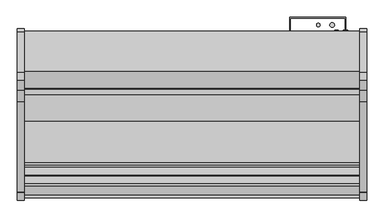
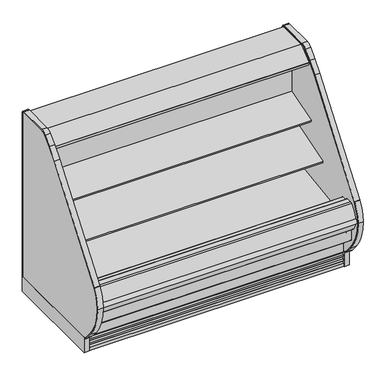
"""IFC4 building model written with IfcOpenShell, lengths in millimetres: proxy geometry."""

from ifc_helpers import new_model, si_unit, point, frame, frame_2d, origin, origin_with_axes, place, context, project, spatial, polyline, circle_curve, trimmed, segment, composite_curve, outline, extrude, source, transform, mapped, element, save
from ifc_brep_helpers import plane_surface, cylinder_surface, revolved_surface, advanced_brep


def mechanical_equipment_5bfa378a(model_context):
    return source(origin(), model_context, "Body", "SolidModel", [
        extrude(outline(composite_curve([segment(polyline([(-514.5184043, 1280.7980838), (-504.8108903, 1283.7963787), (-504.5441858, 1282.9328752), (-503.4770145, 1282.9328752), (-503.4770145, 1189.1685435), (-528.7722287, 1185.6157473)]), True, "CONTINUOUS"), segment(trimmed(circle_curve(frame_2d((-528.9121117, 1187.1894225)), 1.57988), [point((-528.7722287, 1185.6157473))], [point((-530.4766164, 1186.9695457))], False, "CARTESIAN"), True, "CONTINUOUS"), segment(polyline([(-530.4766164, 1186.9695457), (-531.3614261, 1193.2652938), (-530.5766584, 1193.3755857), (-529.5822638, 1186.3001005), (-506.0015054, 1189.61416), (-520.0975442, 1289.912687), (-542.8581255, 1286.8903314)]), True, "CONTINUOUS"), segment(trimmed(circle_curve(frame_2d((-542.7544773, 1286.109783)), 0.7874), [point((-542.8581255, 1286.8903314))], [point((-543.5350257, 1286.0061347))], True, "CARTESIAN"), True, "CONTINUOUS"), segment(polyline([(-543.5350257, 1286.0061347), (-542.5119167, 1278.3013646), (-543.2924653, 1278.1977184), (-544.3155741, 1285.9024865)]), True, "CONTINUOUS"), segment(trimmed(circle_curve(frame_2d((-542.7544773, 1286.109783)), 1.5748), [point((-544.3155741, 1285.9024865))], [point((-542.9617738, 1287.6708798))], False, "CARTESIAN"), True, "CONTINUOUS"), segment(polyline([(-542.9617738, 1287.6708798), (-518.9973626, 1290.8530909)]), True, "CONTINUOUS"), segment(trimmed(circle_curve(frame_2d((-518.7900661, 1289.2919941)), 1.5748), [point((-518.9973626, 1290.8530909))], [point((-517.2854014, 1289.7567298))], False, "CARTESIAN"), True, "CONTINUOUS"), segment(polyline([(-517.2854014, 1289.7567298), (-514.5184043, 1280.7980838)]), True, "CONTINUOUS")], self_intersect=False)), frame((0.0, 0.0, 0.0), z_axis=(1.0, 0.0, 0.0), x_axis=(0.0, 1.0, 0.0)), (0.0, 0.0, 1.0), 1828.8),
        extrude(outline(polyline([(-401.5089273, 1362.075), (-401.5089273, 1315.6470648), (-452.3089273, 1315.6470648), (-452.3089273, 1282.9328752), (-504.5441858, 1282.9328752), (-506.6234348, 1289.6648143), (-511.417881, 1288.1839857), (-535.4879211, 1316.8695425), (-642.2562389, 1316.8695425), (-643.0944389, 1316.0313425), (-643.0944389, 1304.9061425), (-643.6525285, 1303.7273324), (-688.2903714, 1267.1513324), (-689.2562818, 1266.8061425), (-700.752905, 1266.8061425), (-700.752905, 1264.8743669), (-715.8669232, 1264.8743669), (-715.8669232, 1283.1433169), (-715.2737617, 1284.3869059), (-619.3369552, 1362.075), (-401.5089273, 1362.075)])), frame((0.0, 0.0, 0.0), z_axis=(1.0, 0.0, 0.0), x_axis=(0.0, 1.0, 0.0)), (0.0, 0.0, 1.0), 1828.8),
        extrude(outline(composite_curve([segment(polyline([(-506.0015054, 1189.61416), (-529.5822638, 1186.3001005), (-530.5766584, 1193.3755857), (-542.5070926, 1278.2650359), (-543.5350257, 1286.0061347)]), True, "CONTINUOUS"), segment(trimmed(circle_curve(frame_2d((-542.7544773, 1286.109783)), 0.7874), [point((-543.5350257, 1286.0061347))], [point((-542.8581255, 1286.8903314))], False, "CARTESIAN"), True, "CONTINUOUS"), segment(polyline([(-542.8581255, 1286.8903314), (-520.0975442, 1289.912687), (-506.0015054, 1189.61416)]), True, "CONTINUOUS")], self_intersect=False)), frame((0.0, 0.0, 0.0), z_axis=(1.0, 0.0, 0.0), x_axis=(0.0, 1.0, 0.0)), (0.0, 0.0, 1.0), 1828.8),
        extrude(outline(composite_curve([segment(trimmed(circle_curve(frame_2d((-586.8315353, 1290.8268376)), 14.2875), [point((-601.1190353, 1290.8268376))], [point((-572.5440353, 1290.8268376))], False, "CARTESIAN"), True, "CONTINUOUS"), segment(trimmed(circle_curve(frame_2d((-586.8315353, 1290.8268376)), 14.2875), [point((-572.5440353, 1290.8268376))], [point((-601.1190353, 1290.8268376))], False, "CARTESIAN"), True, "CONTINUOUS")], self_intersect=False)), frame((0.0, 0.0, 0.0), z_axis=(1.0, 0.0, 0.0), x_axis=(0.0, 1.0, 0.0)), (0.0, 0.0, 1.0), 1828.8),
        extrude(outline(composite_curve([segment(trimmed(circle_curve(frame_2d((-624.2203353, 1290.8268376)), 14.2875), [point((-638.5078353, 1290.8268376))], [point((-609.9328353, 1290.8268376))], False, "CARTESIAN"), True, "CONTINUOUS"), segment(trimmed(circle_curve(frame_2d((-624.2203353, 1290.8268376)), 14.2875), [point((-609.9328353, 1290.8268376))], [point((-638.5078353, 1290.8268376))], False, "CARTESIAN"), True, "CONTINUOUS")], self_intersect=False)), frame((0.0, 0.0, 0.0), z_axis=(1.0, 0.0, 0.0), x_axis=(0.0, 1.0, 0.0)), (0.0, 0.0, 1.0), 1828.8),
        extrude(outline(composite_curve([segment(polyline([(-1152.4160029, 116.4176483), (-1152.4160029, 109.8489673)]), True, "CONTINUOUS"), segment(trimmed(circle_curve(frame_2d((-1137.0029315, 171.45)), 63.5), [point((-1152.4160029, 109.8489673))], [point((-1185.6467537, 130.6329868))], False, "CARTESIAN"), True, "CONTINUOUS"), segment(polyline([(-1185.6467537, 130.6329868), (-1235.6359944, 190.2078441)]), True, "CONTINUOUS"), segment(trimmed(circle_curve(frame_2d((-941.4801647, 437.0338923)), 383.9931644), [point((-1235.6359944, 190.2078441))], [point((-1325.4388699, 431.8896718))], False, "CARTESIAN"), True, "CONTINUOUS"), segment(trimmed(circle_curve(frame_2d((-1076.0701893, 427.3006938)), 249.410901), [point((-1325.4388699, 431.8896718))], [point((-1281.6253076, 568.555396))], False, "CARTESIAN"), True, "CONTINUOUS"), segment(trimmed(circle_curve(frame_2d((-1267.5211401, 561.2160445)), 15.8994849), [point((-1281.6253076, 568.555396))], [point((-1280.2425143, 570.7533533))], False, "CARTESIAN"), True, "CONTINUOUS"), segment(polyline([(-1280.2425143, 570.7533533), (-784.9351025, 1231.4209529)]), True, "CONTINUOUS"), segment(trimmed(circle_curve(frame_2d((-245.5130426, 827.0122237)), 674.1828973), [point((-784.9351025, 1231.4209529))], [point((-722.232341, 1303.7315221))], False, "CARTESIAN"), True, "CONTINUOUS"), segment(polyline([(-722.232341, 1303.7315221), (-669.2351533, 1356.7287098)]), True, "CONTINUOUS"), segment(trimmed(circle_curve(frame_2d((-625.6675547, 1313.1611112)), 61.6138888), [point((-669.2351533, 1356.7287098))], [point((-625.6675547, 1374.775))], False, "CARTESIAN"), True, "CONTINUOUS"), segment(polyline([(-625.6675547, 1374.775), (-403.2506698, 1374.775)]), True, "CONTINUOUS"), segment(trimmed(circle_curve(frame_2d((-403.2506698, 1357.1582575)), 17.6167425), [point((-403.2506698, 1374.775))], [point((-385.6339273, 1357.1582575))], False, "CARTESIAN"), True, "CONTINUOUS"), segment(polyline([(-385.6339273, 1357.1582575), (-385.6339273, 114.3), (-391.9839273, 114.3), (-391.9839273, 1357.1582575)]), True, "CONTINUOUS"), segment(trimmed(circle_curve(frame_2d((-403.2506698, 1357.1582575)), 11.2667425), [point((-391.9839273, 1357.1582575))], [point((-403.2506698, 1368.425))], True, "CARTESIAN"), True, "CONTINUOUS"), segment(polyline([(-403.2506698, 1368.425), (-625.6675547, 1368.425)]), True, "CONTINUOUS"), segment(trimmed(circle_curve(frame_2d((-625.6675547, 1313.1611112)), 55.2638888), [point((-625.6675547, 1368.425))], [point((-664.7450253, 1352.2385817))], True, "CARTESIAN"), True, "CONTINUOUS"), segment(polyline([(-664.7450253, 1352.2385817), (-717.7422129, 1299.2413941)]), True, "CONTINUOUS"), segment(trimmed(circle_curve(frame_2d((-245.5130426, 827.0122237)), 667.8328973), [point((-717.7422129, 1299.2413941))], [point((-779.8543891, 1227.6119043))], True, "CARTESIAN"), True, "CONTINUOUS"), segment(polyline([(-779.8543891, 1227.6119043), (-1275.1618009, 566.9443047)]), True, "CONTINUOUS"), segment(trimmed(circle_curve(frame_2d((-1267.5211401, 561.2160445)), 9.5494849), [point((-1275.1618009, 566.9443047))], [point((-1276.1447735, 565.3179477))], True, "CARTESIAN"), True, "CONTINUOUS"), segment(trimmed(circle_curve(frame_2d((-1076.0701893, 427.3006938)), 243.060901), [point((-1276.1447735, 565.3179477))], [point((-1319.0880705, 431.8735543))], True, "CARTESIAN"), True, "CONTINUOUS"), segment(trimmed(circle_curve(frame_2d((-941.4801647, 437.0338923)), 377.6431644), [point((-1319.0880705, 431.8735543))], [point((-1230.7716122, 194.2895454))], True, "CARTESIAN"), True, "CONTINUOUS"), segment(polyline([(-1230.7716122, 194.2895454), (-1180.7823715, 134.7146881)]), True, "CONTINUOUS"), segment(trimmed(circle_curve(frame_2d((-1137.0029315, 171.45)), 57.15), [point((-1180.7823715, 134.7146881))], [point((-1152.4160029, 116.4176483))], True, "CARTESIAN"), True, "CONTINUOUS")], self_intersect=False)), frame((1828.8, 0.0, 0.0), z_axis=(1.0, 0.0, 0.0), x_axis=(0.0, 1.0, 0.0)), (0.0, 0.0, 1.0), 38.1),
        extrude(outline(composite_curve([segment(trimmed(circle_curve(frame_2d((-1137.0029315, 171.45)), 57.15), [point((-1152.4160029, 116.4176483))], [point((-1180.7823715, 134.7146881))], False, "CARTESIAN"), True, "CONTINUOUS"), segment(polyline([(-1180.7823715, 134.7146881), (-1230.7716122, 194.2895454)]), True, "CONTINUOUS"), segment(trimmed(circle_curve(frame_2d((-941.4801647, 437.0338923)), 377.6431644), [point((-1230.7716122, 194.2895454))], [point((-1319.0880705, 431.8735543))], False, "CARTESIAN"), True, "CONTINUOUS"), segment(trimmed(circle_curve(frame_2d((-1076.0701893, 427.3006938)), 243.060901), [point((-1319.0880705, 431.8735543))], [point((-1270.5462172, 573.1008179))], False, "CARTESIAN"), True, "CONTINUOUS"), segment(polyline([(-1270.5462172, 573.1008179), (-779.8543891, 1227.6119043)]), True, "CONTINUOUS"), segment(trimmed(circle_curve(frame_2d((-245.5130426, 827.0122237)), 667.8328973), [point((-779.8543891, 1227.6119043))], [point((-717.7422129, 1299.2413941))], False, "CARTESIAN"), True, "CONTINUOUS"), segment(polyline([(-717.7422129, 1299.2413941), (-664.7450253, 1352.2385817)]), True, "CONTINUOUS"), segment(trimmed(circle_curve(frame_2d((-625.6675547, 1313.1611112)), 55.2638888), [point((-664.7450253, 1352.2385817))], [point((-625.6675547, 1368.425))], False, "CARTESIAN"), True, "CONTINUOUS"), segment(polyline([(-625.6675547, 1368.425), (-403.2506698, 1368.425)]), True, "CONTINUOUS"), segment(trimmed(circle_curve(frame_2d((-403.2506698, 1357.1582575)), 11.2667425), [point((-403.2506698, 1368.425))], [point((-391.9839273, 1357.1582575))], False, "CARTESIAN"), True, "CONTINUOUS"), segment(polyline([(-391.9839273, 1357.1582575), (-391.9839273, 114.3), (-1152.4160029, 114.3), (-1152.4160029, 116.4176483)]), True, "CONTINUOUS")], self_intersect=False)), frame((1828.8, 0.0, 0.0), z_axis=(1.0, 0.0, 0.0), x_axis=(0.0, 1.0, 0.0)), (0.0, 0.0, 1.0), 38.1),
        extrude(outline(polyline([(1866.9, -385.6339273), (1866.9, -1152.4160029), (1828.8, -1152.4160029), (1828.8, -385.6339273), (1866.9, -385.6339273)])), origin_with_axes(), (0.0, 0.0, 1.0), 114.3),
        extrude(outline(composite_curve([segment(trimmed(circle_curve(frame_2d((-1295.6519401, 432.0003811)), 17.0866011), [point((-1296.4879309, 414.9342433))], [point((-1296.7411816, 449.0522282))], False, "CARTESIAN"), True, "CONTINUOUS"), segment(trimmed(circle_curve(frame_2d((-1124.8312387, 403.6702581)), 177.7991891), [point((-1296.7411816, 449.0522282))], [point((-1298.0862131, 443.6110334))], True, "CARTESIAN"), True, "CONTINUOUS"), segment(trimmed(circle_curve(frame_2d((-1171.2742697, 436.2958797)), 127.0227557), [point((-1298.0862131, 443.6110334))], [point((-1296.4879309, 414.9342433))], True, "CARTESIAN"), True, "CONTINUOUS")], self_intersect=False)), frame((0.0, 0.0, 0.0), z_axis=(1.0, 0.0, 0.0), x_axis=(0.0, 1.0, 0.0)), (0.0, 0.0, 1.0), 1828.8),
        extrude(outline(composite_curve([segment(trimmed(circle_curve(frame_2d((1669.0362287, -1007.9339273)), 12.7), [point((1656.3362287, -1007.9339273))], [point((1681.7362287, -1007.9339273))], False, "CARTESIAN"), True, "CONTINUOUS"), segment(trimmed(circle_curve(frame_2d((1669.0362287, -1007.9339273)), 12.7), [point((1681.7362287, -1007.9339273))], [point((1656.3362287, -1007.9339273))], False, "CARTESIAN"), True, "CONTINUOUS")], self_intersect=False)), frame((0.0, 0.0, 68.5310382), z_axis=(0.0, 0.0, 1.0), x_axis=(1.0, 0.0, 0.0)), (0.0, 0.0, 1.0), 52.7807458),
        extrude(outline(composite_curve([segment(trimmed(circle_curve(frame_2d((1618.83831, -1007.9339273)), 9.525), [point((1609.31331, -1007.9339273))], [point((1628.36331, -1007.9339273))], False, "CARTESIAN"), True, "CONTINUOUS"), segment(trimmed(circle_curve(frame_2d((1618.83831, -1007.9339273)), 9.525), [point((1628.36331, -1007.9339273))], [point((1609.31331, -1007.9339273))], False, "CARTESIAN"), True, "CONTINUOUS")], self_intersect=False)), frame((0.0, 0.0, 68.5310382), z_axis=(0.0, 0.0, 1.0), x_axis=(1.0, 0.0, 0.0)), (0.0, 0.0, 1.0), 52.7807458),
        extrude(outline(polyline([(0.0, -385.6339273), (0.0, -1152.4160029), (-38.1, -1152.4160029), (-38.1, -385.6339273), (0.0, -385.6339273)])), origin_with_axes(), (0.0, 0.0, 1.0), 114.3),
        extrude(outline(composite_curve([segment(polyline([(-1152.4160029, 116.4176483), (-1152.4160029, 109.8489673)]), True, "CONTINUOUS"), segment(trimmed(circle_curve(frame_2d((-1137.0029315, 171.45)), 63.5), [point((-1152.4160029, 109.8489673))], [point((-1185.6467537, 130.6329868))], False, "CARTESIAN"), True, "CONTINUOUS"), segment(polyline([(-1185.6467537, 130.6329868), (-1235.6359944, 190.2078441)]), True, "CONTINUOUS"), segment(trimmed(circle_curve(frame_2d((-941.4801647, 437.0338923)), 383.9931644), [point((-1235.6359944, 190.2078441))], [point((-1325.4388699, 431.8896718))], False, "CARTESIAN"), True, "CONTINUOUS"), segment(trimmed(circle_curve(frame_2d((-1076.0701893, 427.3006938)), 249.410901), [point((-1325.4388699, 431.8896718))], [point((-1281.6253076, 568.555396))], False, "CARTESIAN"), True, "CONTINUOUS"), segment(trimmed(circle_curve(frame_2d((-1267.5211401, 561.2160445)), 15.8994849), [point((-1281.6253076, 568.555396))], [point((-1280.2425143, 570.7533533))], False, "CARTESIAN"), True, "CONTINUOUS"), segment(polyline([(-1280.2425143, 570.7533533), (-784.9351025, 1231.4209529)]), True, "CONTINUOUS"), segment(trimmed(circle_curve(frame_2d((-245.5130426, 827.0122237)), 674.1828973), [point((-784.9351025, 1231.4209529))], [point((-722.232341, 1303.7315221))], False, "CARTESIAN"), True, "CONTINUOUS"), segment(polyline([(-722.232341, 1303.7315221), (-669.2351533, 1356.7287098)]), True, "CONTINUOUS"), segment(trimmed(circle_curve(frame_2d((-625.6675547, 1313.1611112)), 61.6138888), [point((-669.2351533, 1356.7287098))], [point((-625.6675547, 1374.775))], False, "CARTESIAN"), True, "CONTINUOUS"), segment(polyline([(-625.6675547, 1374.775), (-403.2506698, 1374.775)]), True, "CONTINUOUS"), segment(trimmed(circle_curve(frame_2d((-403.2506698, 1357.1582575)), 17.6167425), [point((-403.2506698, 1374.775))], [point((-385.6339273, 1357.1582575))], False, "CARTESIAN"), True, "CONTINUOUS"), segment(polyline([(-385.6339273, 1357.1582575), (-385.6339273, 114.3), (-391.9839273, 114.3), (-391.9839273, 1357.1582575)]), True, "CONTINUOUS"), segment(trimmed(circle_curve(frame_2d((-403.2506698, 1357.1582575)), 11.2667425), [point((-391.9839273, 1357.1582575))], [point((-403.2506698, 1368.425))], True, "CARTESIAN"), True, "CONTINUOUS"), segment(polyline([(-403.2506698, 1368.425), (-625.6675547, 1368.425)]), True, "CONTINUOUS"), segment(trimmed(circle_curve(frame_2d((-625.6675547, 1313.1611112)), 55.2638888), [point((-625.6675547, 1368.425))], [point((-664.7450253, 1352.2385817))], True, "CARTESIAN"), True, "CONTINUOUS"), segment(polyline([(-664.7450253, 1352.2385817), (-717.7422129, 1299.2413941)]), True, "CONTINUOUS"), segment(trimmed(circle_curve(frame_2d((-245.5130426, 827.0122237)), 667.8328973), [point((-717.7422129, 1299.2413941))], [point((-779.8543891, 1227.6119043))], True, "CARTESIAN"), True, "CONTINUOUS"), segment(polyline([(-779.8543891, 1227.6119043), (-1270.5462172, 573.1008179)]), True, "CONTINUOUS"), segment(trimmed(circle_curve(frame_2d((-1076.0701893, 427.3006938)), 243.060901), [point((-1270.5462172, 573.1008179))], [point((-1319.0880705, 431.8735543))], True, "CARTESIAN"), True, "CONTINUOUS"), segment(trimmed(circle_curve(frame_2d((-941.4801647, 437.0338923)), 377.6431644), [point((-1319.0880705, 431.8735543))], [point((-1230.7716122, 194.2895454))], True, "CARTESIAN"), True, "CONTINUOUS"), segment(polyline([(-1230.7716122, 194.2895454), (-1180.7823715, 134.7146881)]), True, "CONTINUOUS"), segment(trimmed(circle_curve(frame_2d((-1137.0029315, 171.45)), 57.15), [point((-1180.7823715, 134.7146881))], [point((-1152.4160029, 116.4176483))], True, "CARTESIAN"), True, "CONTINUOUS")], self_intersect=False)), frame((-38.1, 0.0, 0.0), z_axis=(1.0, 0.0, 0.0), x_axis=(0.0, 1.0, 0.0)), (0.0, 0.0, 1.0), 38.1),
        extrude(outline(composite_curve([segment(trimmed(circle_curve(frame_2d((-1137.0029315, 171.45)), 57.15), [point((-1152.4160029, 116.4176483))], [point((-1180.7823715, 134.7146881))], False, "CARTESIAN"), True, "CONTINUOUS"), segment(polyline([(-1180.7823715, 134.7146881), (-1230.7716122, 194.2895454)]), True, "CONTINUOUS"), segment(trimmed(circle_curve(frame_2d((-941.4801647, 437.0338923)), 377.6431644), [point((-1230.7716122, 194.2895454))], [point((-1319.0880705, 431.8735543))], False, "CARTESIAN"), True, "CONTINUOUS"), segment(trimmed(circle_curve(frame_2d((-1076.0701893, 427.3006938)), 243.060901), [point((-1319.0880705, 431.8735543))], [point((-1270.5462172, 573.1008179))], False, "CARTESIAN"), True, "CONTINUOUS"), segment(polyline([(-1270.5462172, 573.1008179), (-779.8543891, 1227.6119043)]), True, "CONTINUOUS"), segment(trimmed(circle_curve(frame_2d((-245.5130426, 827.0122237)), 667.8328973), [point((-779.8543891, 1227.6119043))], [point((-717.7422129, 1299.2413941))], False, "CARTESIAN"), True, "CONTINUOUS"), segment(polyline([(-717.7422129, 1299.2413941), (-664.7450253, 1352.2385817)]), True, "CONTINUOUS"), segment(trimmed(circle_curve(frame_2d((-625.6675547, 1313.1611112)), 55.2638888), [point((-664.7450253, 1352.2385817))], [point((-625.6675547, 1368.425))], False, "CARTESIAN"), True, "CONTINUOUS"), segment(polyline([(-625.6675547, 1368.425), (-403.2506698, 1368.425)]), True, "CONTINUOUS"), segment(trimmed(circle_curve(frame_2d((-403.2506698, 1357.1582575)), 11.2667425), [point((-403.2506698, 1368.425))], [point((-391.9839273, 1357.1582575))], False, "CARTESIAN"), True, "CONTINUOUS"), segment(polyline([(-391.9839273, 1357.1582575), (-391.9839273, 114.3), (-1152.4160029, 114.3), (-1152.4160029, 116.4176483)]), True, "CONTINUOUS")], self_intersect=False)), frame((-38.1, 0.0, 0.0), z_axis=(1.0, 0.0, 0.0), x_axis=(0.0, 1.0, 0.0)), (0.0, 0.0, 1.0), 38.1),
        extrude(outline(polyline([(1749.425, -401.5089273), (1749.425, -328.4839273), (1450.975, -328.4839273), (1450.975, -401.5089273), (1447.8, -401.5089273), (1447.8, -325.3089273), (1752.6, -325.3089273), (1752.6, -401.5089273), (1749.425, -401.5089273)])), frame((0.0, 0.0, 522.6122796), z_axis=(0.0, 0.0, 1.0), x_axis=(1.0, 0.0, 0.0)), (0.0, 0.0, 1.0), 710.3489092),
        advanced_brep(
        [(0.0, -401.5089273, 1315.6470648), (0.0, -401.5089273, 130.175), (0.0, -1092.9329421, 130.175), (0.0, -1242.6779256, 255.8259604), (0.0, -1242.6779256, 390.4771975), (0.0, -1191.6695874, 390.4771975), (0.0, -1191.6695874, 280.6965658), (0.0, -1081.6882807, 188.4112919), (0.0, -1075.5167374, 188.6268069), (0.0, -1036.8125365, 160.6272219), (0.0, -1035.5745571, 160.670453), (0.0, -1022.2030531, 151.6562137), (0.0, -961.9148015, 153.7615258), (0.0, -949.2046713, 163.6865559), (0.0, -947.966692, 163.7297871), (0.0, -911.2586215, 194.4039054), (0.0, -452.3089273, 210.4307819), (0.0, -452.3089273, 1315.6470648), (1828.8, -401.5089273, 1315.6470648), (1828.8, -452.3089273, 1315.6470648), (1828.8, -452.3089273, 210.4307819), (1828.8, -911.2586215, 194.4039054), (1828.8, -947.966692, 163.7297871), (1828.8, -949.2046713, 163.6865559), (1828.8, -961.9148015, 153.7615258), (1828.8, -1022.2030531, 151.6562137), (1828.8, -1035.5745571, 160.670453), (1828.8, -1036.8125365, 160.6272219), (1828.8, -1075.5167374, 188.6268069), (1828.8, -1081.6882807, 188.4112919), (1828.8, -1191.6695874, 280.6965658), (1828.8, -1191.6695874, 390.4771975), (1828.8, -1242.6779256, 390.4771975), (1828.8, -1242.6779256, 255.8259604), (1828.8, -1092.9329421, 130.175), (1828.8, -401.5089273, 130.175), (1727.2, -401.5089273, 368.3), (1727.2, -401.5089273, 266.7), (1727.2, -446.7209273, 266.7), (1727.2, -446.7209273, 368.3)],
        [
            (0, 1),
            (1, 2),
            (2, 3),
            (3, 4),
            (4, 5),
            (5, 6),
            (6, 7),
            (7, 8),
            (8, 9),
            (9, 10),
            (10, 11),
            (11, 12),
            (12, 13),
            (13, 14),
            (14, 15),
            (15, 16),
            (16, 17),
            (17, 0),
            (18, 19),
            (19, 20),
            (20, 21),
            (21, 22),
            (22, 23),
            (23, 24),
            (24, 25),
            (25, 26),
            (26, 27),
            (27, 28),
            (28, 29),
            (29, 30),
            (30, 31),
            (31, 32),
            (32, 33),
            (33, 34),
            (34, 35),
            (35, 18),
            (17, 19),
            (18, 0),
            (16, 20),
            (1, 35),
            (34, 2),
            (36, 37, circle_curve(frame((1727.2, -401.5089273, 317.5), z_axis=(0.0, -1.0, 0.0), x_axis=(0.0, 0.0, 1.0)), 50.8)),
            (37, 36, circle_curve(frame((1727.2, -401.5089273, 317.5), z_axis=(0.0, -1.0, 0.0), x_axis=(0.0, 0.0, 1.0)), 50.8)),
            (38, 39, circle_curve(frame((1727.2, -446.7209273, 317.5), z_axis=(0.0, 1.0, 0.0), x_axis=(0.0, 0.0, 1.0)), 50.8)),
            (39, 38, circle_curve(frame((1727.2, -446.7209273, 317.5), z_axis=(0.0, 1.0, 0.0), x_axis=(0.0, 0.0, 1.0)), 50.8)),
            (38, 37),
            (36, 39),
            (15, 21),
            (14, 22),
            (13, 23),
            (12, 24),
            (11, 25),
            (10, 26),
            (9, 27),
            (8, 28),
            (7, 29),
            (6, 30),
            (5, 31),
            (4, 32),
            (3, 33),
        ],
        [
            plane_surface(frame((0.0, -452.3089273, 1315.6470648), z_axis=(-1.0, 0.0, 0.0), x_axis=(0.0, 1.0, 0.0))),
            plane_surface(frame((1828.8, -452.3089273, 1315.6470648), z_axis=(1.0, 0.0, 0.0), x_axis=(0.0, -1.0, 0.0))),
            plane_surface(frame((1828.8, -401.5089273, 1315.6470648), z_axis=(0.0, 0.0, 1.0), x_axis=(-1.0, 0.0, 0.0))),
            plane_surface(frame((1828.8, -452.3089273, 1315.6470648), z_axis=(0.0, -1.0, 0.0), x_axis=(-1.0, 0.0, 0.0))),
            plane_surface(frame((1828.8, -1092.9329421, 130.175), z_axis=(0.0, 0.0, -1.0), x_axis=(-1.0, 0.0, 0.0))),
            plane_surface(frame((1828.8, -401.5089273, 130.175), z_axis=(0.0, 1.0, 0.0), x_axis=(-1.0, 0.0, 0.0))),
            plane_surface(frame((1727.2, -446.7209273, 368.3), z_axis=(0.0, 1.0, 0.0), x_axis=(-1.0, 0.0, 0.0))),
            revolved_surface(polyline([(1727.2, -401.5089273, 368.3), (1727.2, -446.7209273, 368.3)]), (1727.2, -446.7209273, 317.5), (0.0, 1.0, 0.0)),
            plane_surface(frame((1828.8, -452.3089273, 210.4307819), z_axis=(0.0, -0.034899496702464096, 0.9993908270190971), x_axis=(-1.0, 0.0, 0.0))),
            plane_surface(frame((1828.8, -911.2586215, 194.4039054), z_axis=(0.0, -0.6412208566386186, 0.7673563794037528), x_axis=(-1.0, 0.0, 0.0))),
            plane_surface(frame((1828.8, -947.966692, 163.7297871), z_axis=(0.0, -0.03489949670032392, 0.9993908270191718), x_axis=(-1.0, 0.0, 0.0))),
            plane_surface(frame((1828.8, -949.2046713, 163.6865559), z_axis=(0.0, -0.6154607629252682, 0.7881675261639793), x_axis=(-1.0, 0.0, 0.0))),
            plane_surface(frame((1828.8, -961.9148015, 153.7615258), z_axis=(0.0, -0.03489949670245096, 0.9993908270190975), x_axis=(-1.0, 0.0, 0.0))),
            plane_surface(frame((1828.8, -1022.2030531, 151.6562137), z_axis=(0.0, 0.5589817440968015, 0.8291799622316606), x_axis=(-1.0, 0.0, 0.0))),
            plane_surface(frame((1828.8, -1035.5745571, 160.670453), z_axis=(0.0, -0.03489949670146529, 0.999390827019132), x_axis=(-1.0, 0.0, 0.0))),
            plane_surface(frame((1828.8, -1036.8125365, 160.6272219), z_axis=(0.0, 0.5861307997256017, 0.810216443682197), x_axis=(-1.0, 0.0, 0.0))),
            plane_surface(frame((1828.8, -1075.5167374, 188.6268069), z_axis=(0.0, -0.034899496703538944, 0.9993908270190596), x_axis=(-1.0, 0.0, 0.0))),
            plane_surface(frame((1828.8, -1081.6882807, 188.4112919), z_axis=(0.0, 0.6427876096870883, 0.7660444431185175), x_axis=(-1.0, 0.0, 0.0))),
            plane_surface(frame((1828.8, -1191.6695874, 280.6965658), z_axis=(0.0, 1.0, 0.0), x_axis=(-1.0, 0.0, 0.0))),
            plane_surface(frame((1828.8, -1191.6695874, 390.4771975), z_axis=(0.0, 0.0, 1.0), x_axis=(-1.0, 0.0, 0.0))),
            plane_surface(frame((1828.8, -1242.6779256, 390.4771975), z_axis=(0.0, -1.0, 0.0), x_axis=(-1.0, 0.0, 0.0))),
            plane_surface(frame((1828.8, -1242.6779256, 255.8259604), z_axis=(0.0, -0.6427876096870784, -0.7660444431185257), x_axis=(-1.0, 0.0, 0.0))),
        ],
        [
            (0, [[1, 2, 3, 4, 5, 6, 7, 8, 9, 10, 11, 12, 13, 14, 15, 16, 17, 18]]),
            (1, [[19, 20, 21, 22, 23, 24, 25, 26, 27, 28, 29, 30, 31, 32, 33, 34, 35, 36]]),
            (2, [[-18, 37, -19, 38]]),
            (3, [[-17, 39, -20, -37]]),
            (4, [[-2, 40, -35, 41]]),
            (5, [[-1, -38, -36, -40], [42, 43]]),
            (6, [[44, 45]]),
            (7, [[-44, 46, -42, 47]]),
            (7, [[-45, -47, -43, -46]]),
            (8, [[-16, 48, -21, -39]]),
            (9, [[-15, 49, -22, -48]]),
            (10, [[-14, 50, -23, -49]]),
            (11, [[-13, 51, -24, -50]]),
            (12, [[-12, 52, -25, -51]]),
            (13, [[-11, 53, -26, -52]]),
            (14, [[-10, 54, -27, -53]]),
            (15, [[-9, 55, -28, -54]]),
            (16, [[-8, 56, -29, -55]]),
            (17, [[-7, 57, -30, -56]]),
            (18, [[-6, 58, -31, -57]]),
            (19, [[-5, 59, -32, -58]]),
            (20, [[-4, 60, -33, -59]]),
            (21, [[-3, -41, -34, -60]]),
        ],
    ),
        extrude(outline(composite_curve([segment(polyline([(-503.4770145, 937.5443045), (-503.4770145, 859.0243135), (-520.8520366, 853.3874898)]), True, "CONTINUOUS"), segment(trimmed(circle_curve(frame_2d((-528.6901714, 877.5478632)), 25.4), [point((-520.8520366, 853.3874898))], [point((-538.1963728, 853.9938373))], False, "CARTESIAN"), True, "CONTINUOUS"), segment(polyline([(-538.1963728, 853.9938373), (-559.4917706, 862.5884758)]), True, "CONTINUOUS"), segment(trimmed(circle_curve(frame_2d((-583.257274, 803.7034111)), 63.5), [point((-559.4917706, 862.5884758))], [point((-594.1259367, 866.2663568))], True, "CARTESIAN"), True, "CONTINUOUS"), segment(polyline([(-594.1259367, 866.2663568), (-683.313755, 863.7788055), (-685.7433991, 866.6337458), (-742.2197274, 849.3671994), (-746.4657163, 863.2552031), (-503.4770145, 937.5443045)]), True, "CONTINUOUS")], self_intersect=False)), frame((0.0, 0.0, 0.0), z_axis=(1.0, 0.0, 0.0), x_axis=(0.0, 1.0, 0.0)), (0.0, 0.0, 1.0), 1828.8),
        extrude(outline(composite_curve([segment(polyline([(-503.4770145, 681.5615222), (-521.9044919, 675.5832597)]), True, "CONTINUOUS"), segment(trimmed(circle_curve(frame_2d((-528.6901714, 700.0600764)), 25.4), [point((-521.9044919, 675.5832597))], [point((-538.1963728, 676.5060505))], False, "CARTESIAN"), True, "CONTINUOUS"), segment(polyline([(-538.1963728, 676.5060505), (-559.4917706, 685.1006891)]), True, "CONTINUOUS"), segment(trimmed(circle_curve(frame_2d((-583.257274, 626.2156243)), 63.5), [point((-559.4917706, 685.1006891))], [point((-594.1259367, 688.77857))], True, "CARTESIAN"), True, "CONTINUOUS"), segment(polyline([(-594.1259367, 688.77857), (-829.0545998, 641.733571), (-831.4842439, 644.5885112), (-887.9605722, 627.3219649), (-892.1192674, 640.9244437), (-503.4770145, 759.7443045), (-503.4770145, 681.5615222)]), True, "CONTINUOUS")], self_intersect=False)), frame((0.0, 0.0, 0.0), z_axis=(1.0, 0.0, 0.0), x_axis=(0.0, 1.0, 0.0)), (0.0, 0.0, 1.0), 1828.8),
        extrude(outline(composite_curve([segment(polyline([(-1234.580957, 539.75), (-1192.162957, 539.75)]), True, "CONTINUOUS"), segment(trimmed(circle_curve(frame_2d((-1192.162957, 536.575)), 3.175), [point((-1192.162957, 539.75))], [point((-1188.987957, 536.575))], False, "CARTESIAN"), True, "CONTINUOUS"), segment(polyline([(-1188.987957, 536.575), (-1188.987957, 522.6122796), (-1191.6695874, 522.6122796), (-1191.6695874, 390.4771975), (-1244.2904909, 390.4771975), (-1244.2904909, 349.7062579), (-1261.7638107, 349.7062579)]), True, "CONTINUOUS"), segment(trimmed(circle_curve(frame_2d((-1261.7638107, 355.8622108)), 6.1559529), [point((-1261.7638107, 349.7062579))], [point((-1266.343409, 351.7484491))], False, "CARTESIAN"), True, "CONTINUOUS"), segment(trimmed(circle_curve(frame_2d((-1171.176313, 436.1498983)), 127.2021258), [point((-1266.343409, 351.7484491))], [point((-1298.1692965, 443.441191))], False, "CARTESIAN"), True, "CONTINUOUS"), segment(trimmed(circle_curve(frame_2d((-1124.5594453, 405.0685499)), 177.8), [point((-1298.1692965, 443.441191))], [point((-1245.3673798, 535.5226912))], False, "CARTESIAN"), True, "CONTINUOUS"), segment(trimmed(circle_curve(frame_2d((-1234.580957, 523.875)), 15.875), [point((-1245.3673798, 535.5226912))], [point((-1234.580957, 539.75))], False, "CARTESIAN"), True, "CONTINUOUS")], self_intersect=False)), frame((0.0, 0.0, 0.0), z_axis=(1.0, 0.0, 0.0), x_axis=(0.0, 1.0, 0.0)), (0.0, 0.0, 1.0), 1828.8),
        extrude(outline(composite_curve([segment(polyline([(-1117.0624519, 150.4220627), (-1117.0624519, 0.0), (-1148.0584493, 0.0), (-1148.0584493, 21.591952)]), True, "CONTINUOUS"), segment(trimmed(circle_curve(frame_2d((-1147.5226258, 35.2873287)), 13.7058546), [point((-1148.0584493, 21.591952))], [point((-1134.4406464, 31.1992648))], True, "CARTESIAN"), True, "CONTINUOUS"), segment(polyline([(-1134.4406464, 31.1992648), (-1131.6258599, 40.2067021), (-1143.5826446, 40.2067021), (-1143.5826446, 52.9067021)]), True, "CONTINUOUS"), segment(trimmed(circle_curve(frame_2d((-1148.0005124, 66.4088493)), 14.2065314), [point((-1143.5826446, 52.9067021))], [point((-1134.4406464, 62.1714479))], True, "CARTESIAN"), True, "CONTINUOUS"), segment(polyline([(-1134.4406464, 62.1714479), (-1131.6258599, 71.1788852), (-1143.5826446, 71.1788852), (-1143.5826446, 83.8788852)]), True, "CONTINUOUS"), segment(trimmed(circle_curve(frame_2d((-1148.0728877, 97.4524489)), 14.2969897), [point((-1143.5826446, 83.8788852))], [point((-1134.4406464, 93.143631))], True, "CARTESIAN"), True, "CONTINUOUS"), segment(polyline([(-1134.4406464, 93.143631), (-1130.9515493, 104.1824391), (-1130.9515493, 107.8329403), (-1143.8191893, 107.8329403), (-1143.8191893, 172.8736313), (-1117.0624519, 150.4220627)]), True, "CONTINUOUS")], self_intersect=False)), frame((0.0, 0.0, 0.0), z_axis=(1.0, 0.0, 0.0), x_axis=(0.0, 1.0, 0.0)), (0.0, 0.0, 1.0), 1828.8),
        extrude(outline(composite_curve([segment(trimmed(circle_curve(frame_2d((1603.375, -366.5839273)), 9.525), [point((1593.85, -366.5839273))], [point((1612.9, -366.5839273))], False, "CARTESIAN"), True, "CONTINUOUS"), segment(trimmed(circle_curve(frame_2d((1603.375, -366.5839273)), 9.525), [point((1612.9, -366.5839273))], [point((1593.85, -366.5839273))], False, "CARTESIAN"), True, "CONTINUOUS")], self_intersect=False)), frame((0.0, 0.0, 1070.4944621), z_axis=(0.0, 0.0, 1.0), x_axis=(1.0, 0.0, 0.0)), (0.0, 0.0, 1.0), 186.3418705),
        extrude(outline(composite_curve([segment(trimmed(circle_curve(frame_2d((1679.575, -366.5839273)), 12.7), [point((1666.875, -366.5839273))], [point((1692.275, -366.5839273))], False, "CARTESIAN"), True, "CONTINUOUS"), segment(trimmed(circle_curve(frame_2d((1679.575, -366.5839273)), 12.7), [point((1692.275, -366.5839273))], [point((1666.875, -366.5839273))], False, "CARTESIAN"), True, "CONTINUOUS")], self_intersect=False)), frame((0.0, 0.0, 1070.4944621), z_axis=(0.0, 0.0, 1.0), x_axis=(1.0, 0.0, 0.0)), (0.0, 0.0, 1.0), 186.3418705),
        extrude(outline(composite_curve([segment(trimmed(circle_curve(frame_2d((317.5, 1752.6)), 12.7), [point((317.5, 1765.3))], [point((317.5, 1739.9))], False, "CARTESIAN"), True, "CONTINUOUS"), segment(trimmed(circle_curve(frame_2d((317.5, 1752.6)), 12.7), [point((317.5, 1739.9))], [point((317.5, 1765.3))], False, "CARTESIAN"), True, "CONTINUOUS")], self_intersect=False)), frame((0.0, -446.7209273, 0.0), z_axis=(0.0, 1.0, 0.0), x_axis=(0.0, 0.0, 1.0)), (0.0, 0.0, 1.0), 52.8518438),
        extrude(outline(composite_curve([segment(trimmed(circle_curve(frame_2d((317.5, 1701.8)), 9.525), [point((317.5, 1711.325))], [point((317.5, 1692.275))], False, "CARTESIAN"), True, "CONTINUOUS"), segment(trimmed(circle_curve(frame_2d((317.5, 1701.8)), 9.525), [point((317.5, 1692.275))], [point((317.5, 1711.325))], False, "CARTESIAN"), True, "CONTINUOUS")], self_intersect=False)), frame((0.0, -446.7209273, 0.0), z_axis=(0.0, 1.0, 0.0), x_axis=(0.0, 0.0, 1.0)), (0.0, 0.0, 1.0), 52.8518438),
        extrude(outline(composite_curve([segment(trimmed(circle_curve(frame_2d((914.4, -988.8839273)), 38.1), [point((876.3, -988.8839273))], [point((952.5, -988.8839273))], False, "CARTESIAN"), True, "CONTINUOUS"), segment(trimmed(circle_curve(frame_2d((914.4, -988.8839273)), 38.1), [point((952.5, -988.8839273))], [point((876.3, -988.8839273))], False, "CARTESIAN"), True, "CONTINUOUS")], self_intersect=False)), frame((0.0, 0.0, 68.5310382), z_axis=(0.0, 0.0, 1.0), x_axis=(1.0, 0.0, 0.0)), (0.0, 0.0, 1.0), 52.7807458),
        advanced_brep(
        [(0.0, -1018.0355073, 16.9113003), (0.0, -1117.0624519, 16.9113003), (0.0, -1117.0624519, 150.4220627), (0.0, -1092.9329421, 130.175), (0.0, -1018.0355073, 130.175), (1828.8, -1018.0355073, 16.9113003), (1828.8, -1018.0355073, 130.175), (1828.8, -1092.9329421, 130.175), (1828.8, -1117.0624519, 150.4220627), (1828.8, -1117.0624519, 16.9113003), (1697.6105208, -1018.0355073, 16.9113003), (1697.6105208, -1018.0355073, 121.311784), (1598.0394792, -1018.0355073, 121.311784), (1598.0394792, -1018.0355073, 16.9113003), (956.0031896, -1018.0355073, 16.9113003), (956.0031896, -1018.0355073, 121.311784), (872.7968104, -1018.0355073, 121.311784), (872.7968104, -1018.0355073, 16.9113003)],
        [
            (0, 1),
            (1, 2),
            (2, 3),
            (3, 4),
            (4, 0),
            (5, 6),
            (6, 7),
            (7, 8),
            (8, 9),
            (9, 5),
            (4, 6),
            (5, 10),
            (10, 11),
            (11, 12),
            (12, 13),
            (13, 14),
            (14, 15),
            (15, 16),
            (16, 17),
            (17, 0),
            (3, 7),
            (17, 14, circle_curve(frame((914.4, -988.8839273, 16.9113003), z_axis=(0.0, 0.0, 1.0), x_axis=(1.0, 0.0, 0.0)), 50.8)),
            (13, 10, circle_curve(frame((1647.825, -1007.9339273, 16.9113003), z_axis=(0.0, 0.0, 1.0), x_axis=(1.0, 0.0, 0.0)), 50.8)),
            (9, 1),
            (15, 16, circle_curve(frame((914.4, -988.8839273, 121.311784), z_axis=(0.0, 0.0, -1.0), x_axis=(1.0, 0.0, 0.0)), 50.8)),
            (8, 2),
            (11, 12, circle_curve(frame((1647.825, -1007.9339273, 121.311784), z_axis=(0.0, 0.0, -1.0), x_axis=(1.0, 0.0, 0.0)), 50.8)),
        ],
        [
            plane_surface(frame((0.0, -1018.0355073, 130.175), z_axis=(-1.0, 0.0, 0.0), x_axis=(0.0, 0.0, -1.0))),
            plane_surface(frame((1828.8, -1018.0355073, 130.175), z_axis=(1.0, 0.0, 0.0), x_axis=(0.0, 0.0, 1.0))),
            plane_surface(frame((1828.8, -1018.0355073, 16.9113003), z_axis=(0.0, 1.0, 0.0), x_axis=(-1.0, 0.0, 0.0))),
            plane_surface(frame((1828.8, -1018.0355073, 130.175), z_axis=(0.0, 0.0, 1.0), x_axis=(-1.0, 0.0, 0.0))),
            plane_surface(frame((1828.8, -1117.0624519, 16.9113003), z_axis=(0.0, 0.0, -1.0), x_axis=(-1.0, 0.0, 0.0))),
            plane_surface(frame((965.2, -988.8839273, 121.311784), z_axis=(0.0, 0.0, -1.0), x_axis=(0.0, 1.0, 0.0))),
            revolved_surface(polyline([(965.1999999999999, -988.8839273, 121.311784), (965.1999999999999, -988.8839273, 16.9113003)]), (914.4, -988.8839273, 0.0), (0.0, 0.0, 1.0)),
            plane_surface(frame((1828.8, -1117.0624519, 150.4220627), z_axis=(0.0, -1.0, 0.0), x_axis=(-1.0, 0.0, 0.0))),
            plane_surface(frame((1828.8, -1092.9329421, 130.175), z_axis=(0.0, 0.6427876096870792, 0.766044443118525), x_axis=(-1.0, 0.0, 0.0))),
            plane_surface(frame((1698.625, -1007.9339273, 121.311784), z_axis=(0.0, 0.0, -1.0), x_axis=(0.0, 1.0, 0.0))),
            revolved_surface(polyline([(1698.625, -1007.9339273, 121.311784), (1698.625, -1007.9339273, 16.9113003)]), (1647.825, -1007.9339273, 0.0), (0.0, 0.0, 1.0)),
        ],
        [
            (0, [[1, 2, 3, 4, 5]]),
            (1, [[6, 7, 8, 9, 10]]),
            (2, [[-5, 11, -6, 12, 13, 14, 15, 16, 17, 18, 19, 20]]),
            (3, [[-4, 21, -7, -11]]),
            (4, [[-1, -20, 22, -16, 23, -12, -10, 24]]),
            (5, [[25, -18]]),
            (6, [[-25, -17, -22, -19]]),
            (7, [[-2, -24, -9, 26]]),
            (8, [[-3, -26, -8, -21]]),
            (9, [[27, -14]]),
            (10, [[-27, -13, -23, -15]]),
        ],
    ),
        advanced_brep(
        [(0.0, -401.5089273, 130.175), (0.0, -401.5089273, 0.0), (0.0, -446.7209273, 0.0), (0.0, -446.7209273, 74.8810382), (0.0, -972.7046625, 74.8810382), (0.0, -972.7046625, 0.0), (0.0, -1018.0355073, 0.0), (0.0, -1018.0355073, 130.175), (1828.8, -401.5089273, 130.175), (1828.8, -1018.0355073, 130.175), (1828.8, -1018.0355073, 0.0), (1828.8, -972.7046625, 0.0), (1828.8, -972.7046625, 74.8810382), (1828.8, -446.7209273, 74.8810382), (1828.8, -446.7209273, 0.0), (1828.8, -401.5089273, 0.0), (872.7968104, -1018.0355073, 0.0), (872.7968104, -1018.0355073, 121.311784), (956.0031896, -1018.0355073, 121.311784), (956.0031896, -1018.0355073, 0.0), (1598.0394792, -1018.0355073, 0.0), (1598.0394792, -1018.0355073, 121.311784), (1697.6105208, -1018.0355073, 121.311784), (1697.6105208, -1018.0355073, 0.0), (866.2453388, -972.7046625, 0.0), (863.6, -988.8839273, 0.0), (1698.625, -1007.9339273, 0.0), (1684.4247118, -972.7046625, 0.0), (965.2, -988.8839273, 0.0), (962.5546612, -972.7046625, 0.0), (1611.2252882, -972.7046625, 0.0), (1597.025, -1007.9339273, 0.0), (866.2453388, -972.7046625, 74.8810382), (1684.4247118, -972.7046625, 74.8810382), (962.5546612, -972.7046625, 74.8810382), (1611.2252882, -972.7046625, 74.8810382), (863.6, -988.8839273, 121.311784), (965.2, -988.8839273, 121.311784), (1597.025, -1007.9339273, 121.311784), (1698.625, -1007.9339273, 121.311784)],
        [
            (0, 1),
            (1, 2),
            (2, 3),
            (3, 4),
            (4, 5),
            (5, 6),
            (6, 7),
            (7, 0),
            (8, 9),
            (9, 10),
            (10, 11),
            (11, 12),
            (12, 13),
            (13, 14),
            (14, 15),
            (15, 8),
            (7, 9),
            (8, 0),
            (6, 16),
            (16, 17),
            (17, 18),
            (18, 19),
            (19, 20),
            (20, 21),
            (21, 22),
            (22, 23),
            (23, 10),
            (5, 24),
            (24, 25, circle_curve(frame((914.4, -988.8839273, 0.0), z_axis=(0.0, 0.0, 1.0), x_axis=(1.0, 0.0, 0.0)), 50.8)),
            (25, 16, circle_curve(frame((914.4, -988.8839273, 0.0), z_axis=(0.0, 0.0, 1.0), x_axis=(1.0, 0.0, 0.0)), 50.8)),
            (23, 26, circle_curve(frame((1647.825, -1007.9339273, 0.0), z_axis=(0.0, 0.0, 1.0), x_axis=(1.0, 0.0, 0.0)), 50.8)),
            (26, 27, circle_curve(frame((1647.825, -1007.9339273, 0.0), z_axis=(0.0, 0.0, 1.0), x_axis=(1.0, 0.0, 0.0)), 50.8)),
            (27, 11),
            (19, 28, circle_curve(frame((914.4, -988.8839273, 0.0), z_axis=(0.0, 0.0, 1.0), x_axis=(1.0, 0.0, 0.0)), 50.8)),
            (28, 29, circle_curve(frame((914.4, -988.8839273, 0.0), z_axis=(0.0, 0.0, 1.0), x_axis=(1.0, 0.0, 0.0)), 50.8)),
            (29, 30),
            (30, 31, circle_curve(frame((1647.825, -1007.9339273, 0.0), z_axis=(0.0, 0.0, 1.0), x_axis=(1.0, 0.0, 0.0)), 50.8)),
            (31, 20, circle_curve(frame((1647.825, -1007.9339273, 0.0), z_axis=(0.0, 0.0, 1.0), x_axis=(1.0, 0.0, 0.0)), 50.8)),
            (4, 32),
            (32, 24),
            (27, 33),
            (33, 12),
            (29, 34),
            (34, 35),
            (35, 30),
            (3, 13),
            (33, 35, circle_curve(frame((1647.825, -1007.9339273, 74.8810382), z_axis=(0.0, 0.0, 1.0), x_axis=(1.0, 0.0, 0.0)), 50.8)),
            (34, 32, circle_curve(frame((914.4, -988.8839273, 74.8810382), z_axis=(0.0, 0.0, 1.0), x_axis=(1.0, 0.0, 0.0)), 50.8)),
            (2, 14),
            (1, 15),
            (36, 37, circle_curve(frame((914.4, -988.8839273, 121.311784), z_axis=(0.0, 0.0, -1.0), x_axis=(1.0, 0.0, 0.0)), 50.8)),
            (37, 18, circle_curve(frame((914.4, -988.8839273, 121.311784), z_axis=(0.0, 0.0, -1.0), x_axis=(1.0, 0.0, 0.0)), 50.8)),
            (17, 36, circle_curve(frame((914.4, -988.8839273, 121.311784), z_axis=(0.0, 0.0, -1.0), x_axis=(1.0, 0.0, 0.0)), 50.8)),
            (37, 28),
            (25, 36),
            (38, 39, circle_curve(frame((1647.825, -1007.9339273, 121.311784), z_axis=(0.0, 0.0, -1.0), x_axis=(1.0, 0.0, 0.0)), 50.8)),
            (39, 22, circle_curve(frame((1647.825, -1007.9339273, 121.311784), z_axis=(0.0, 0.0, -1.0), x_axis=(1.0, 0.0, 0.0)), 50.8)),
            (21, 38, circle_curve(frame((1647.825, -1007.9339273, 121.311784), z_axis=(0.0, 0.0, -1.0), x_axis=(1.0, 0.0, 0.0)), 50.8)),
            (39, 26),
            (31, 38),
        ],
        [
            plane_surface(frame((0.0, -1205.8783654, 130.175), z_axis=(-1.0, 0.0, 0.0), x_axis=(0.0, 1.0, 0.0))),
            plane_surface(frame((1828.8, -1205.8783654, 130.175), z_axis=(1.0, 0.0, 0.0), x_axis=(0.0, -1.0, 0.0))),
            plane_surface(frame((1828.8, -401.5089273, 130.175), z_axis=(0.0, 0.0, 1.0), x_axis=(-1.0, 0.0, 0.0))),
            plane_surface(frame((1828.8, -1018.0355073, 130.175), z_axis=(0.0, -1.0, 0.0), x_axis=(-1.0, 0.0, 0.0))),
            plane_surface(frame((1828.8, -1018.0355073, 0.0), z_axis=(0.0, 0.0, -1.0), x_axis=(-1.0, 0.0, 0.0))),
            plane_surface(frame((1828.8, -972.7046625, 0.0), z_axis=(0.0, 1.0, 0.0), x_axis=(-1.0, 0.0, 0.0))),
            plane_surface(frame((1828.8, -972.7046625, 74.8810382), z_axis=(0.0, 0.0, -1.0), x_axis=(-1.0, 0.0, 0.0))),
            plane_surface(frame((1828.8, -446.7209273, 74.8810382), z_axis=(0.0, -1.0, 0.0), x_axis=(-1.0, 0.0, 0.0))),
            plane_surface(frame((1828.8, -446.7209273, 0.0), z_axis=(0.0, 0.0, -1.0), x_axis=(-1.0, 0.0, 0.0))),
            plane_surface(frame((1828.8, -401.5089273, 0.0), z_axis=(0.0, 1.0, 0.0), x_axis=(-1.0, 0.0, 0.0))),
            plane_surface(frame((965.2, -988.8839273, 121.311784), z_axis=(0.0, 0.0, -1.0), x_axis=(0.0, 1.0, 0.0))),
            revolved_surface(polyline([(965.1999999999999, -988.8839273, 121.311784), (965.1999999999999, -988.8839273, 0.0)]), (914.4, -988.8839273, 0.0), (0.0, 0.0, 1.0)),
            plane_surface(frame((1698.625, -1007.9339273, 121.311784), z_axis=(0.0, 0.0, -1.0), x_axis=(0.0, 1.0, 0.0))),
            revolved_surface(polyline([(1698.625, -1007.9339273, 121.311784), (1698.625, -1007.9339273, 0.0)]), (1647.825, -1007.9339273, 0.0), (0.0, 0.0, 1.0)),
        ],
        [
            (0, [[1, 2, 3, 4, 5, 6, 7, 8]]),
            (1, [[9, 10, 11, 12, 13, 14, 15, 16]]),
            (2, [[-8, 17, -9, 18]]),
            (3, [[-7, 19, 20, 21, 22, 23, 24, 25, 26, 27, -10, -17]]),
            (4, [[-6, 28, 29, 30, -19]]),
            (4, [[-11, -27, 31, 32, 33]]),
            (4, [[34, 35, 36, 37, 38, -23]]),
            (5, [[-5, 39, 40, -28]]),
            (5, [[-12, -33, 41, 42]]),
            (5, [[43, 44, 45, -36]]),
            (6, [[-4, 46, -13, -42, 47, -44, 48, -39]]),
            (7, [[-3, 49, -14, -46]]),
            (8, [[-2, 50, -15, -49]]),
            (9, [[-1, -18, -16, -50]]),
            (10, [[51, 52, -21, 53]]),
            (11, [[54, -34, -22, -52]]),
            (11, [[55, -53, -20, -30]]),
            (11, [[-51, -55, -29, -40, -48, -43, -35, -54]]),
            (12, [[56, 57, -25, 58]]),
            (13, [[59, -31, -26, -57]]),
            (13, [[60, -58, -24, -38]]),
            (13, [[-56, -60, -37, -45, -47, -41, -32, -59]]),
        ],
    ),
        extrude(outline(polyline([(688.975, -552.9627532), (688.975, -932.4775263), (180.975, -932.4775263), (180.975, -552.9627532), (688.975, -552.9627532)])), frame((0.0, 0.0, 68.5310382), z_axis=(0.0, 0.0, 1.0), x_axis=(1.0, 0.0, 0.0)), (0.0, 0.0, 1.0), 6.35),
        extrude(outline(polyline([(1828.8, -452.3089273), (1828.8, -503.4770145), (0.0, -503.4770145), (0.0, -452.3089273), (1828.8, -452.3089273)])), frame((0.0, 0.0, 415.8429537), z_axis=(0.0, 0.0, 1.0), x_axis=(1.0, 0.0, 0.0)), (0.0, 0.0, 1.0), 867.0899215),
        advanced_brep(
        [(0.0, -503.4770145, 415.8429537), (0.0, -452.3089273, 415.8429537), (0.0, -452.3089273, 210.4307819), (0.0, -911.2586215, 194.4039054), (0.0, -947.966692, 163.7297871), (0.0, -949.2046713, 163.6865559), (0.0, -961.9148015, 153.7615258), (0.0, -1022.2030531, 151.6562137), (0.0, -1035.5745571, 160.670453), (0.0, -1036.8125365, 160.6272219), (0.0, -1075.5167374, 188.6268069), (0.0, -1081.6882807, 188.4112919), (0.0, -1191.6695874, 280.6965658), (0.0, -1191.6695874, 390.4771975), (0.0, -1191.6695874, 522.6122796), (0.0, -1143.2268145, 522.6122796), (0.0, -1135.3020145, 514.6874796), (0.0, -1135.3020145, 377.7429537), (0.0, -1117.2993145, 377.7429537), (0.0, -594.8547877, 450.4013198), (0.0, -515.2911073, 458.1248825), (0.0, -503.4770145, 470.7939459), (1828.8, -503.4770145, 415.8429537), (1828.8, -503.4770145, 470.7939459), (1828.8, -515.2911073, 458.1248825), (1828.8, -594.8547877, 450.4013198), (1828.8, -1117.2993145, 377.7429537), (1828.8, -1135.3020145, 377.7429537), (1828.8, -1135.3020145, 514.6874796), (1828.8, -1143.2268145, 522.6122796), (1828.8, -1191.6695874, 522.6122796), (1828.8, -1191.6695874, 390.4771975), (1828.8, -1191.6695874, 280.6965658), (1828.8, -1081.6882807, 188.4112919), (1828.8, -1075.5167374, 188.6268069), (1828.8, -1036.8125365, 160.6272219), (1828.8, -1035.5745571, 160.670453), (1828.8, -1022.2030531, 151.6562137), (1828.8, -961.9148015, 153.7615258), (1828.8, -949.2046713, 163.6865559), (1828.8, -947.966692, 163.7297871), (1828.8, -911.2586215, 194.4039054), (1828.8, -452.3089273, 210.4307819), (1828.8, -452.3089273, 415.8429537)],
        [
            (0, 1),
            (1, 2),
            (2, 3),
            (3, 4),
            (4, 5),
            (5, 6),
            (6, 7),
            (7, 8),
            (8, 9),
            (9, 10),
            (10, 11),
            (11, 12),
            (12, 13),
            (13, 14),
            (14, 15),
            (15, 16, circle_curve(frame((0.0, -1143.2268145, 514.6874796), z_axis=(-1.0, 0.0, 0.0), x_axis=(0.0, 1.0, 0.0)), 7.9248)),
            (16, 17),
            (17, 18),
            (18, 19),
            (19, 20),
            (20, 21, circle_curve(frame((0.0, -516.1770145, 470.7939459), z_axis=(1.0, 0.0, 0.0), x_axis=(0.0, 1.0, 0.0)), 12.7)),
            (21, 0),
            (22, 23),
            (23, 24, circle_curve(frame((1828.8, -516.1770145, 470.7939459), z_axis=(-1.0, 0.0, 0.0), x_axis=(0.0, 1.0, 0.0)), 12.7)),
            (24, 25),
            (25, 26),
            (26, 27),
            (27, 28),
            (28, 29, circle_curve(frame((1828.8, -1143.2268145, 514.6874796), z_axis=(1.0, 0.0, 0.0), x_axis=(0.0, 1.0, 0.0)), 7.9248)),
            (29, 30),
            (30, 31),
            (31, 32),
            (32, 33),
            (33, 34),
            (34, 35),
            (35, 36),
            (36, 37),
            (37, 38),
            (38, 39),
            (39, 40),
            (40, 41),
            (41, 42),
            (42, 43),
            (43, 22),
            (42, 2),
            (1, 43),
            (0, 22),
            (21, 23),
            (20, 24),
            (19, 25),
            (18, 26),
            (17, 27),
            (16, 28),
            (15, 29),
            (14, 30),
            (13, 31),
            (12, 32),
            (11, 33),
            (10, 34),
            (9, 35),
            (8, 36),
            (7, 37),
            (6, 38),
            (5, 39),
            (4, 40),
            (3, 41),
        ],
        [
            plane_surface(frame((0.0, -503.4770145, 1092.9956953), z_axis=(-1.0, 0.0, 0.0), x_axis=(0.0, 0.0, -1.0))),
            plane_surface(frame((1828.8, -503.4770145, 1092.9956953), z_axis=(1.0, 0.0, 0.0), x_axis=(0.0, 0.0, 1.0))),
            plane_surface(frame((1828.8, -452.3089273, 210.4307819), z_axis=(0.0, 1.0, 0.0), x_axis=(-1.0, 0.0, 0.0))),
            plane_surface(frame((1828.8, -452.3089273, 415.8429537), z_axis=(0.0, 0.0, 1.0), x_axis=(-1.0, 0.0, 0.0))),
            plane_surface(frame((1828.8, -503.4770145, 415.8429537), z_axis=(0.0, 1.0, 0.0), x_axis=(-1.0, 0.0, 0.0))),
            revolved_surface(polyline([(0.0, -503.47701450000005, 470.7939459), (1828.8, -503.47701450000005, 470.7939459)]), (0.0, -516.1770145, 470.7939459), (-1.0, 0.0, 0.0)),
            plane_surface(frame((1828.8, -515.2911073, 458.1248825), z_axis=(0.0, -0.09661980044750253, 0.9953213622551688), x_axis=(-1.0, 0.0, 0.0))),
            plane_surface(frame((1828.8, -594.8547877, 450.4013198), z_axis=(0.0, -0.13774808941565955, 0.9904672957055853), x_axis=(-1.0, 0.0, 0.0))),
            plane_surface(frame((1828.8, -1117.2993145, 377.7429537), z_axis=(0.0, 0.0, 1.0), x_axis=(-1.0, 0.0, 0.0))),
            plane_surface(frame((1828.8, -1135.3020145, 377.7429537), z_axis=(0.0, 1.0, 0.0), x_axis=(-1.0, 0.0, 0.0))),
            cylinder_surface(frame((0.0, -1143.2268145, 514.6874796), z_axis=(1.0, 0.0, 0.0), x_axis=(0.0, 1.0, 0.0)), 7.9248),
            plane_surface(frame((1828.8, -1143.2268145, 522.6122796), z_axis=(0.0, 0.0, 1.0), x_axis=(-1.0, 0.0, 0.0))),
            plane_surface(frame((1828.8, -1191.6695874, 522.6122796), z_axis=(0.0, -1.0, 0.0), x_axis=(-1.0, 0.0, 0.0))),
            plane_surface(frame((1828.8, -1191.6695874, 390.4771975), z_axis=(0.0, -1.0, 0.0), x_axis=(-1.0, 0.0, 0.0))),
            plane_surface(frame((1828.8, -1191.6695874, 280.6965658), z_axis=(0.0, -0.6427876096870885, -0.7660444431185174), x_axis=(-1.0, 0.0, 0.0))),
            plane_surface(frame((1828.8, -1081.6882807, 188.4112919), z_axis=(0.0, 0.03489949670352723, -0.9993908270190599), x_axis=(-1.0, 0.0, 0.0))),
            plane_surface(frame((1828.8, -1075.5167374, 188.6268069), z_axis=(0.0, -0.5861307997256017, -0.810216443682197), x_axis=(-1.0, 0.0, 0.0))),
            plane_surface(frame((1828.8, -1036.8125365, 160.6272219), z_axis=(0.0, 0.03489949670146529, -0.999390827019132), x_axis=(-1.0, 0.0, 0.0))),
            plane_surface(frame((1828.8, -1035.5745571, 160.670453), z_axis=(0.0, -0.5589817440968015, -0.8291799622316606), x_axis=(-1.0, 0.0, 0.0))),
            plane_surface(frame((1828.8, -1022.2030531, 151.6562137), z_axis=(0.0, 0.03489949670245123, -0.9993908270190974), x_axis=(-1.0, 0.0, 0.0))),
            plane_surface(frame((1828.8, -961.9148015, 153.7615258), z_axis=(0.0, 0.6154607629252682, -0.7881675261639793), x_axis=(-1.0, 0.0, 0.0))),
            plane_surface(frame((1828.8, -949.2046713, 163.6865559), z_axis=(0.0, 0.03489949670032392, -0.9993908270191718), x_axis=(-1.0, 0.0, 0.0))),
            plane_surface(frame((1828.8, -947.966692, 163.7297871), z_axis=(0.0, 0.6412208566386186, -0.7673563794037528), x_axis=(-1.0, 0.0, 0.0))),
            plane_surface(frame((1828.8, -911.2586215, 194.4039054), z_axis=(0.0, 0.03489949670246395, -0.9993908270190971), x_axis=(-1.0, 0.0, 0.0))),
        ],
        [
            (0, [[1, 2, 3, 4, 5, 6, 7, 8, 9, 10, 11, 12, 13, 14, 15, 16, 17, 18, 19, 20, 21, 22]]),
            (1, [[23, 24, 25, 26, 27, 28, 29, 30, 31, 32, 33, 34, 35, 36, 37, 38, 39, 40, 41, 42, 43, 44]]),
            (2, [[-43, 45, -2, 46]]),
            (3, [[-44, -46, -1, 47]]),
            (4, [[-23, -47, -22, 48]]),
            (5, [[-24, -48, -21, 49]]),
            (6, [[-25, -49, -20, 50]]),
            (7, [[-26, -50, -19, 51]]),
            (8, [[-27, -51, -18, 52]]),
            (9, [[-28, -52, -17, 53]]),
            (10, [[-29, -53, -16, 54]]),
            (11, [[-30, -54, -15, 55]]),
            (12, [[-31, -55, -14, 56]]),
            (13, [[-32, -56, -13, 57]]),
            (14, [[-33, -57, -12, 58]]),
            (15, [[-34, -58, -11, 59]]),
            (16, [[-35, -59, -10, 60]]),
            (17, [[-36, -60, -9, 61]]),
            (18, [[-37, -61, -8, 62]]),
            (19, [[-38, -62, -7, 63]]),
            (20, [[-39, -63, -6, 64]]),
            (21, [[-40, -64, -5, 65]]),
            (22, [[-41, -65, -4, 66]]),
            (23, [[-42, -66, -3, -45]]),
        ],
    ),
    ])


if __name__ == "__main__":
    model = new_model("IFC4")
    model_context = context("Model", 3, world=origin())
    ifc_project = project(units=[si_unit("LENGTHUNIT", "METRE", prefix="MILLI")], contexts=[model_context])
    site = spatial("IfcSite", under=ifc_project)
    building = spatial("IfcBuilding", under=site)
    placement = place(None, origin())
    mechanical_equipment_shape = mechanical_equipment_5bfa378a(model_context)
    element("IfcBuildingElementProxy", 1, Name="Mechanical Equipment", at=placement, inside=building, context=model_context, shape_type="MappedRepresentation", body=[
        mapped(mechanical_equipment_shape, transform((0.0, 0.0, 0.0), x_axis=(1.0, 0.0, 0.0), y_axis=(0.0, 1.0, 0.0), z_axis=(0.0, 0.0, 1.0))),
    ])
    save(model, "model.ifc")
